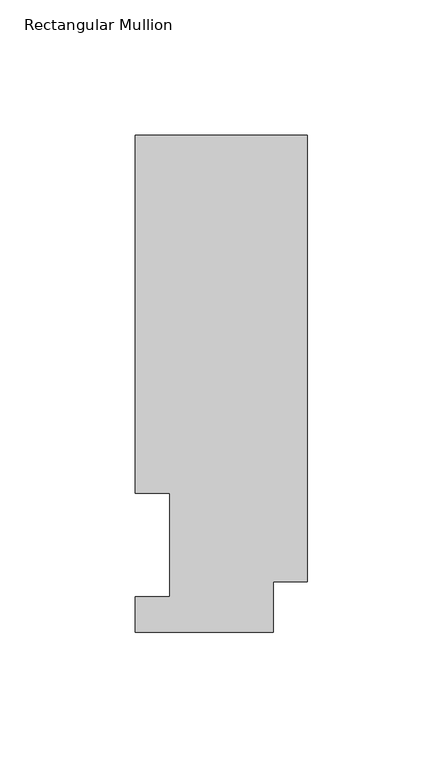
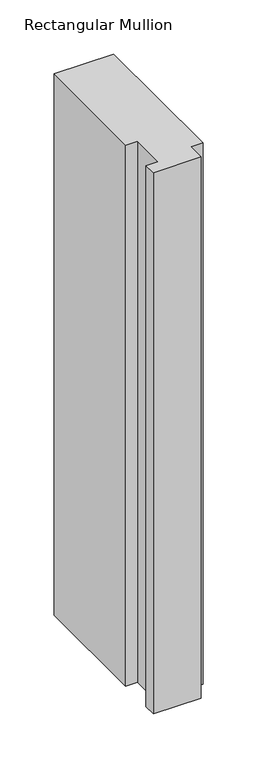
"""IFC4 building model written with IfcOpenShell, lengths in millimetres: member geometry, Rectangular Mullion."""

from ifc_helpers import new_model, si_unit, frame, origin, place, context, project, spatial, polyline, outline, extrude, source, transform, mapped, element, save


def rectangular_mullion_f9b85df9(model_context):
    return source(origin(), model_context, "Body", "SweptSolid", [
        extrude(outline(polyline([(0.0, 183.4446737), (0.0, 18.7332937), (-12.7, 18.7332937), (-12.7, 0.0134937), (-63.5, 0.0134937), (-63.5, 13.1960937), (-50.8, 13.1960937), (-50.8, 51.2960937), (-63.5, 51.2960938), (-63.5, 183.4446737), (0.0, 183.4446737)])), frame((0.0, 0.0, -609.6), z_axis=(0.0, 0.0, 1.0), x_axis=(1.0, 0.0, 0.0)), (0.0, 0.0, 1.0), 609.6),
    ])


if __name__ == "__main__":
    model = new_model("IFC4")
    model_context = context("Model", 3, world=origin())
    ifc_project = project(units=[si_unit("LENGTHUNIT", "METRE", prefix="MILLI")], contexts=[model_context])
    site = spatial("IfcSite", under=ifc_project)
    building = spatial("IfcBuilding", under=site)
    placement = place(None, origin())
    rectangular_mullion_shape = rectangular_mullion_f9b85df9(model_context)
    element("IfcMember", 1, ObjectType="Rectangular Mullion", at=placement, inside=building, context=model_context, shape_type="MappedRepresentation", body=[
        mapped(rectangular_mullion_shape, transform((0.0, 0.0, 0.0), x_axis=(1.0, 0.0, 0.0), y_axis=(0.0, 1.0, 0.0), z_axis=(0.0, 0.0, 1.0))),
    ])
    save(model, "model.ifc")
